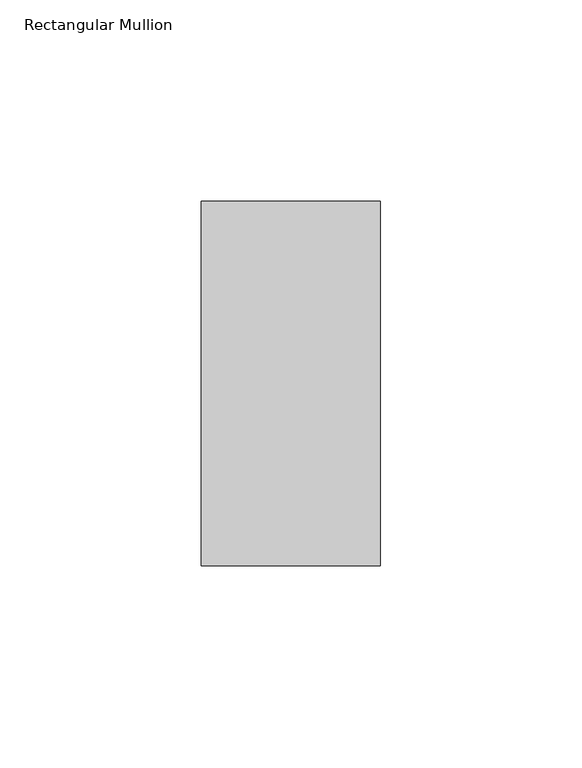
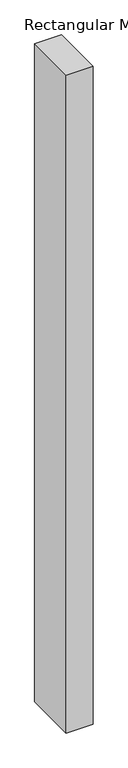
"""IFC4 building model written with IfcOpenShell, lengths in millimetres: member geometry, Rectangular Mullion."""

from ifc_helpers import new_model, si_unit, frame, origin, place, context, project, spatial, polyline, outline, extrude, source, transform, mapped, element, save


def rectangular_mullion_11f5588a(model_context):
    return source(origin(), model_context, "Body", "SweptSolid", [
        extrude(outline(polyline([(-44.4386654, 45.2274954), (0.0, 45.2274954), (0.0, -45.1980997), (-44.4386654, -45.1980997), (-44.4386654, 45.2274954)])), frame((0.0, 0.0, -1152.5289725), z_axis=(0.0, 0.0, 1.0), x_axis=(1.0, 0.0, 0.0)), (0.0, 0.0, 1.0), 1152.5289725),
    ])


if __name__ == "__main__":
    model = new_model("IFC4")
    model_context = context("Model", 3, world=origin())
    ifc_project = project(units=[si_unit("LENGTHUNIT", "METRE", prefix="MILLI")], contexts=[model_context])
    site = spatial("IfcSite", under=ifc_project)
    building = spatial("IfcBuilding", under=site)
    placement = place(None, origin())
    rectangular_mullion_shape = rectangular_mullion_11f5588a(model_context)
    element("IfcMember", 1, ObjectType="Rectangular Mullion", at=placement, inside=building, context=model_context, shape_type="MappedRepresentation", body=[
        mapped(rectangular_mullion_shape, transform((0.0, 0.0, 0.0), x_axis=(1.0, 0.0, 0.0), y_axis=(0.0, 1.0, 0.0), z_axis=(0.0, 0.0, 1.0))),
    ])
    save(model, "model.ifc")
